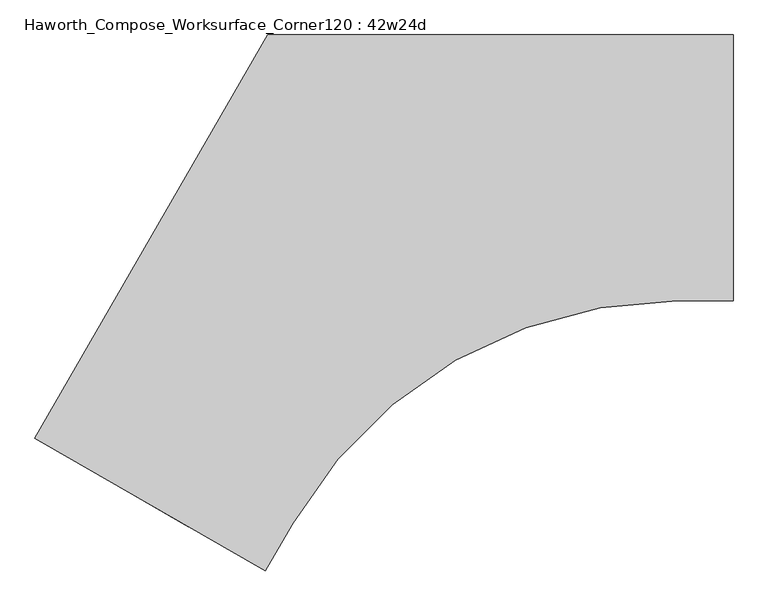
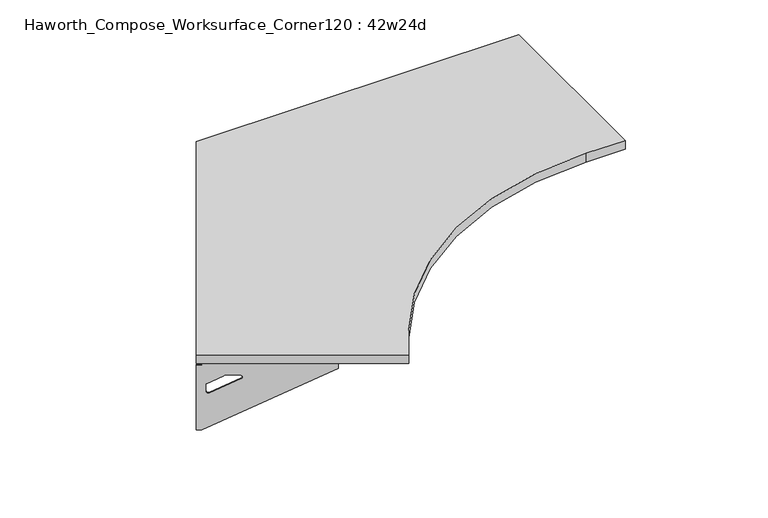
"""IFC4 building model written with IfcOpenShell, lengths in millimetres: furniture geometry, Haworth_Compose_Worksurface_Corner120 : 42w24d."""

from ifc_helpers import new_model, si_unit, point, frame, frame_2d, origin, place, context, project, spatial, polyline, circle_curve, trimmed, segment, composite_curve, outline, extrude, source, transform, mapped, element, save
from ifc_brep_helpers import plane_surface, revolved_surface, advanced_brep


def haworth_compose_worksurface_corner120_42w24d_8da39d8a(model_context):
    return source(origin(), model_context, "Body", "SolidModel", [
        advanced_brep(
        [(302.41875, 304.8, 473.86875), (302.41875, 288.925, 473.86875), (302.41875, -101.6, 690.1317568), (302.41875, -101.6, 702.46875), (302.41875, 288.925, 702.46875), (302.41875, 304.8, 702.46875), (302.41875, 221.490072, 664.36875), (302.41875, 177.8355284, 664.36875), (302.41875, 175.1564235, 654.7830539), (302.41875, 266.8776173, 603.9901439), (302.41875, 276.225, 609.5881969), (302.41875, 276.225, 633.0985246), (302.41875, 274.4730055, 635.9367776), (302.41875, 224.5663437, 663.5738425), (304.8, 304.8, 473.86875), (304.8, 304.8, 702.46875), (304.8, 288.925, 702.46875), (304.8, 288.925, 704.85), (304.8, -101.6, 704.85), (304.8, -101.6, 690.1317568), (304.8, 288.925, 473.86875), (304.8, 221.490072, 664.36875), (304.8, 224.5663437, 663.5738425), (304.8, 274.4730055, 635.9367776), (304.8, 276.225, 633.0985246), (304.8, 276.225, 609.5881969), (304.8, 266.8776173, 603.9901439), (304.8, 175.1564235, 654.7830539), (304.8, 177.8355284, 664.36875), (263.525, -101.6, 704.85), (263.525, -101.6, 702.46875), (263.525, 288.925, 702.46875), (263.525, 288.925, 704.85)],
        [
            (0, 1),
            (1, 2),
            (2, 3),
            (3, 4),
            (4, 5),
            (5, 0),
            (6, 7),
            (7, 8, circle_curve(frame((302.41875, 177.8355284, 659.2015106), z_axis=(1.0, 0.0, 0.0), x_axis=(0.0, -1.0, 0.0)), 5.1672394)),
            (8, 9),
            (9, 10, circle_curve(frame((302.41875, 269.875, 609.5881969), z_axis=(1.0, 0.0, 0.0), x_axis=(0.0, -1.0, 0.0)), 6.35)),
            (10, 11),
            (11, 12, circle_curve(frame((302.41875, 273.05, 633.0985246), z_axis=(1.0, 0.0, 0.0), x_axis=(0.0, -1.0, 0.0)), 3.175)),
            (12, 13),
            (13, 6, circle_curve(frame((302.41875, 221.490072, 658.01875), z_axis=(1.0, 0.0, 0.0), x_axis=(0.0, -1.0, 0.0)), 6.35)),
            (14, 15),
            (15, 16),
            (16, 17),
            (17, 18),
            (18, 19),
            (19, 20),
            (20, 14),
            (21, 22, circle_curve(frame((304.8, 221.490072, 658.01875), z_axis=(-1.0, 0.0, 0.0), x_axis=(0.0, -1.0, 0.0)), 6.35)),
            (22, 23),
            (23, 24, circle_curve(frame((304.8, 273.05, 633.0985246), z_axis=(-1.0, 0.0, 0.0), x_axis=(0.0, -1.0, 0.0)), 3.175)),
            (24, 25),
            (25, 26, circle_curve(frame((304.8, 269.875, 609.5881969), z_axis=(-1.0, 0.0, 0.0), x_axis=(0.0, -1.0, 0.0)), 6.35)),
            (26, 27),
            (27, 28, circle_curve(frame((304.8, 177.8355284, 659.2015106), z_axis=(-1.0, 0.0, 0.0), x_axis=(0.0, -1.0, 0.0)), 5.1672394)),
            (28, 21),
            (4, 16),
            (15, 5),
            (14, 0),
            (20, 1),
            (19, 2),
            (18, 29),
            (29, 30),
            (30, 3),
            (6, 21),
            (28, 7),
            (9, 26),
            (25, 10),
            (24, 11),
            (23, 12),
            (27, 8),
            (31, 4),
            (30, 31),
            (32, 29),
            (17, 32),
            (31, 32),
            (22, 13),
        ],
        [
            plane_surface(frame((302.41875, 304.8, 473.86875), z_axis=(-1.0, 0.0, 0.0), x_axis=(0.0, 1.0, 0.0))),
            plane_surface(frame((304.8, 304.8, 473.86875), z_axis=(1.0, 0.0, 0.0), x_axis=(0.0, -1.0, 0.0))),
            plane_surface(frame((304.8, -101.6, 702.46875), z_axis=(0.0, 0.0, 1.0), x_axis=(-1.0, 0.0, 0.0))),
            plane_surface(frame((304.8, 304.8, 702.46875), z_axis=(0.0, 1.0, 0.0), x_axis=(-1.0, 0.0, 0.0))),
            plane_surface(frame((304.8, 304.8, 473.86875), z_axis=(0.0, 0.0, -1.0), x_axis=(-1.0, 0.0, 0.0))),
            plane_surface(frame((304.8, 288.925, 473.86875), z_axis=(0.0, -0.4844522351345575, -0.8748177135112957), x_axis=(-1.0, 0.0, 0.0))),
            plane_surface(frame((304.8, -101.6, 690.1317568), z_axis=(0.0, -1.0, 0.0), x_axis=(-1.0, 0.0, 0.0))),
            plane_surface(frame((304.8, 221.490072, 664.36875), z_axis=(0.0, 0.0, -1.0), x_axis=(-1.0, 0.0, 0.0))),
            revolved_surface(polyline([(302.41875, 263.525, 609.5881969), (304.8, 263.525, 609.5881969)]), (304.8, 269.875, 609.5881969), (-1.0, 0.0, 0.0)),
            plane_surface(frame((304.8, 276.225, 609.5881969), z_axis=(0.0, -1.0, 0.0), x_axis=(-1.0, 0.0, 0.0))),
            revolved_surface(polyline([(302.41875, 269.875, 633.0985246), (304.8, 269.875, 633.0985246)]), (304.8, 273.05, 633.0985246), (-1.0, 0.0, 0.0)),
            revolved_surface(polyline([(302.41875, 172.668289, 659.2015106), (304.8, 172.668289, 659.2015106)]), (304.8, 177.8355284, 659.2015106), (-1.0, 0.0, 0.0)),
            plane_surface(frame((304.8, 288.925, 702.46875), z_axis=(0.0, 0.0, -1.0), x_axis=(-1.0, 0.0, 0.0))),
            plane_surface(frame((304.8, 288.925, 704.85), z_axis=(0.0, 0.0, 1.0), x_axis=(1.0, 0.0, 0.0))),
            plane_surface(frame((263.525, 288.925, 704.85), z_axis=(0.0, 1.0, 0.0), x_axis=(0.0, 0.0, -1.0))),
            plane_surface(frame((263.525, -101.6, 704.85), z_axis=(-1.0, 0.0, 0.0), x_axis=(0.0, 0.0, -1.0))),
            plane_surface(frame((304.8, 175.1564235, 654.7830539), z_axis=(0.0, 0.4844522351341526, 0.8748177135115199), x_axis=(-1.0, 0.0, 0.0))),
            plane_surface(frame((304.8, 274.4730055, 635.9367776), z_axis=(0.0, -0.48445223513456226, -0.874817713511293), x_axis=(-1.0, 0.0, 0.0))),
            revolved_surface(polyline([(302.41875, 215.140072, 658.01875), (304.8, 215.140072, 658.01875)]), (304.8, 221.490072, 658.01875), (-1.0, 0.0, 0.0)),
        ],
        [
            (0, [[1, 2, 3, 4, 5, 6], [7, 8, 9, 10, 11, 12, 13, 14]]),
            (1, [[15, 16, 17, 18, 19, 20, 21], [22, 23, 24, 25, 26, 27, 28, 29]]),
            (2, [[-5, 30, -16, 31]]),
            (3, [[-31, -15, 32, -6]]),
            (4, [[-32, -21, 33, -1]]),
            (5, [[-33, -20, 34, -2]]),
            (6, [[-34, -19, 35, 36, 37, -3]]),
            (7, [[38, -29, 39, -7]]),
            (8, [[40, -26, 41, -10]]),
            (9, [[-41, -25, 42, -11]]),
            (10, [[-42, -24, 43, -12]]),
            (11, [[-39, -28, 44, -8]]),
            (12, [[45, -4, -37, 46]]),
            (13, [[47, -35, -18, 48]]),
            (14, [[-17, -30, -45, 49, -48]]),
            (15, [[-36, -47, -49, -46]]),
            (16, [[-44, -27, -40, -9]]),
            (17, [[-43, -23, 50, -13]]),
            (18, [[-50, -22, -38, -14]]),
        ],
    ),
        advanced_brep(
        [(-1294.209375, -617.0136778, 473.86875), (-1294.209375, -617.0136778, 702.46875), (-1280.4612217, -624.9511778, 702.46875), (-942.2566509, -820.2136778, 702.46875), (-942.2566509, -820.2136778, 690.1317568), (-1280.4612217, -624.9511778, 473.86875), (-1222.060861, -658.6686418, 664.36875), (-1224.7249904, -657.1305059, 663.5738425), (-1267.9454274, -632.177175, 635.9367776), (-1269.4626991, -631.3011778, 633.0985246), (-1269.4626991, -631.3011778, 609.5881969), (-1261.3676282, -635.9748691, 603.9901439), (-1181.9347443, -681.835466, 654.7830539), (-1184.2549172, -680.4959136, 664.36875), (-1295.4, -619.0759008, 473.86875), (-1281.6518467, -627.0134008, 473.86875), (-943.4472759, -822.2759008, 690.1317568), (-943.4472759, -822.2759008, 704.85), (-1281.6518467, -627.0134008, 704.85), (-1281.6518467, -627.0134008, 702.46875), (-1295.4, -619.0759008, 702.46875), (-1223.251486, -660.7308648, 664.36875), (-1185.4455422, -682.5581365, 664.36875), (-1183.1253693, -683.897689, 654.7830539), (-1262.5582532, -638.0370921, 603.9901439), (-1270.6533241, -633.3634008, 609.5881969), (-1270.6533241, -633.3634008, 633.0985246), (-1269.1360524, -634.239398, 635.9367776), (-1225.9156154, -659.1927289, 663.5738425), (-922.8097759, -786.5307022, 702.46875), (-922.8097759, -786.5307022, 704.85), (-1261.0143467, -591.2682022, 702.46875), (-1261.0143467, -591.2682022, 704.85)],
        [
            (0, 1),
            (1, 2),
            (2, 3),
            (3, 4),
            (4, 5),
            (5, 0),
            (6, 7, circle_curve(frame((-1222.060861, -658.6686418, 658.01875), z_axis=(-0.5000000000000026, -0.8660254037844374, 0.0), x_axis=(0.8660254037844372, -0.5000000000000024, 0.0)), 6.35)),
            (7, 8),
            (8, 9, circle_curve(frame((-1266.7130684, -632.8886778, 633.0985246), z_axis=(-0.5000000000000026, -0.8660254037844374, 0.0), x_axis=(0.8660254037844372, -0.5000000000000024, 0.0)), 3.175)),
            (9, 10),
            (10, 11, circle_curve(frame((-1263.9634378, -634.4761778, 609.5881969), z_axis=(-0.5000000000000026, -0.8660254037844374, 0.0), x_axis=(0.8660254037844372, -0.5000000000000024, 0.0)), 6.35)),
            (11, 12),
            (12, 13, circle_curve(frame((-1184.2549172, -680.4959136, 659.2015106), z_axis=(-0.5000000000000026, -0.8660254037844374, 0.0), x_axis=(0.8660254037844372, -0.5000000000000024, 0.0)), 5.1672394)),
            (13, 6),
            (14, 15),
            (15, 16),
            (16, 17),
            (17, 18),
            (18, 19),
            (19, 20),
            (20, 14),
            (21, 22),
            (22, 23, circle_curve(frame((-1185.4455422, -682.5581365, 659.2015106), z_axis=(0.5000000000000026, 0.8660254037844374, 0.0), x_axis=(0.8660254037844372, -0.5000000000000024, 0.0)), 5.1672394)),
            (23, 24),
            (24, 25, circle_curve(frame((-1265.1540628, -636.5384008, 609.5881969), z_axis=(0.5000000000000026, 0.8660254037844374, 0.0), x_axis=(0.8660254037844372, -0.5000000000000024, 0.0)), 6.35)),
            (25, 26),
            (26, 27, circle_curve(frame((-1267.9036934, -634.9509008, 633.0985246), z_axis=(0.5000000000000026, 0.8660254037844374, 0.0), x_axis=(0.8660254037844372, -0.5000000000000024, 0.0)), 3.175)),
            (27, 28),
            (28, 21, circle_curve(frame((-1223.251486, -660.7308648, 658.01875), z_axis=(0.5000000000000026, 0.8660254037844374, 0.0), x_axis=(0.8660254037844372, -0.5000000000000024, 0.0)), 6.35)),
            (1, 20),
            (19, 2),
            (0, 14),
            (5, 15),
            (4, 16),
            (3, 29),
            (29, 30),
            (30, 17),
            (13, 22),
            (21, 6),
            (10, 25),
            (24, 11),
            (9, 26),
            (8, 27),
            (12, 23),
            (31, 29),
            (2, 31),
            (32, 18),
            (30, 32),
            (32, 31),
            (7, 28),
        ],
        [
            plane_surface(frame((-1294.209375, -617.0136778, 473.86875), z_axis=(0.5000000000000026, 0.8660254037844373, 0.0), x_axis=(-0.8660254037844373, 0.5000000000000026, 0.0))),
            plane_surface(frame((-1295.4, -619.0759008, 473.86875), z_axis=(-0.5000000000000026, -0.8660254037844373, 0.0), x_axis=(0.8660254037844373, -0.5000000000000026, 0.0))),
            plane_surface(frame((-943.4472759, -822.2759008, 702.46875), z_axis=(0.0, 0.0, 1.0), x_axis=(0.5000000000000011, 0.866025403784438, 0.0))),
            plane_surface(frame((-1295.4, -619.0759008, 702.46875), z_axis=(-0.866025403784438, 0.5000000000000011, 0.0), x_axis=(0.5000000000000011, 0.866025403784438, 0.0))),
            plane_surface(frame((-1295.4, -619.0759008, 473.86875), z_axis=(0.0, 0.0, -1.0), x_axis=(0.5000000000000011, 0.866025403784438, 0.0))),
            plane_surface(frame((-1281.6518467, -627.0134008, 473.86875), z_axis=(0.41954794254667943, -0.24222611756727808, -0.8748177135112957), x_axis=(0.5000000000000011, 0.866025403784438, 0.0))),
            plane_surface(frame((-943.4472759, -822.2759008, 690.1317568), z_axis=(0.866025403784438, -0.5000000000000011, 0.0), x_axis=(0.5000000000000011, 0.866025403784438, 0.0))),
            plane_surface(frame((-1223.251486, -660.7308648, 664.36875), z_axis=(0.0, 0.0, -1.0), x_axis=(0.5000000000000011, 0.866025403784438, 0.0))),
            revolved_surface(polyline([(-1258.46417645195, -637.6511777483158, 609.5881969), (-1259.6548014859688, -639.7134008, 609.5881969)]), (-1265.1540628, -636.5384008, 609.5881969), (0.5000000000000024, 0.8660254037844372, 0.0)),
            plane_surface(frame((-1270.6533241, -633.3634008, 609.5881969), z_axis=(0.866025403784438, -0.5000000000000011, 0.0), x_axis=(0.5000000000000011, 0.866025403784438, 0.0))),
            revolved_surface(polyline([(-1263.9634377398502, -634.4761778018095, 633.0985246), (-1265.1540627537306, -636.5384008186128, 633.0985246)]), (-1267.9036934, -634.9509008, 633.0985246), (0.5000000000000024, 0.8660254037844372, 0.0)),
            revolved_surface(polyline([(-1179.7799566313815, -683.0795332405233, 659.2015106), (-1180.9705816345158, -685.1417562387139, 659.2015106)]), (-1185.4455422, -682.5581365, 659.2015106), (0.5000000000000024, 0.8660254037844372, 0.0)),
            plane_surface(frame((-1281.6518467, -627.0134008, 702.46875), z_axis=(0.0, 0.0, -1.0), x_axis=(0.5000000000000011, 0.866025403784438, 0.0))),
            plane_surface(frame((-1281.6518467, -627.0134008, 704.85), z_axis=(0.0, 0.0, 1.0), x_axis=(-0.5000000000000011, -0.866025403784438, 0.0))),
            plane_surface(frame((-1261.0143467, -591.2682022, 704.85), z_axis=(-0.866025403784438, 0.5000000000000011, 0.0), x_axis=(0.0, 0.0, -1.0))),
            plane_surface(frame((-922.8097759, -786.5307022, 704.85), z_axis=(0.5000000000000011, 0.866025403784438, 0.0), x_axis=(0.0, 0.0, -1.0))),
            plane_surface(frame((-1183.1253693, -683.897689, 654.7830539), z_axis=(-0.41954794254632877, 0.24222611756707563, 0.87481771351152), x_axis=(0.5000000000000011, 0.866025403784438, 0.0))),
            plane_surface(frame((-1269.1360524, -634.239398, 635.9367776), z_axis=(0.4195479425466836, -0.24222611756728046, -0.874817713511293), x_axis=(0.5000000000000011, 0.866025403784438, 0.0))),
            revolved_surface(polyline([(-1216.5615996508982, -661.8436417464941, 658.01875), (-1217.752224685969, -663.9058648, 658.01875)]), (-1223.251486, -660.7308648, 658.01875), (0.5000000000000024, 0.8660254037844372, 0.0)),
        ],
        [
            (0, [[1, 2, 3, 4, 5, 6], [7, 8, 9, 10, 11, 12, 13, 14]]),
            (1, [[15, 16, 17, 18, 19, 20, 21], [22, 23, 24, 25, 26, 27, 28, 29]]),
            (2, [[30, -20, 31, -2]]),
            (3, [[-1, 32, -21, -30]]),
            (4, [[-6, 33, -15, -32]]),
            (5, [[-5, 34, -16, -33]]),
            (6, [[-4, 35, 36, 37, -17, -34]]),
            (7, [[-14, 38, -22, 39]]),
            (8, [[-11, 40, -25, 41]]),
            (9, [[-10, 42, -26, -40]]),
            (10, [[-9, 43, -27, -42]]),
            (11, [[-13, 44, -23, -38]]),
            (12, [[45, -35, -3, 46]]),
            (13, [[47, -18, -37, 48]]),
            (14, [[-47, 49, -46, -31, -19]]),
            (15, [[-45, -49, -48, -36]]),
            (16, [[-12, -41, -24, -44]]),
            (17, [[-8, 50, -28, -43]]),
            (18, [[-7, -39, -29, -50]]),
        ],
    ),
        extrude(outline(composite_curve([segment(polyline([(-1295.4, -619.0759008), (-762.0, 304.8), (304.8, 304.8), (304.8, -304.8), (176.5405976, -304.8)]), True, "CONTINUOUS"), segment(trimmed(circle_curve(frame_2d((176.5405976, -1320.8)), 1016.0), [point((176.5405976, -304.8))], [point((-703.3412127, -812.8))], True, "CARTESIAN"), True, "CONTINUOUS"), segment(polyline([(-703.3412127, -812.8), (-767.4709139, -923.8759008), (-1295.4, -619.0759008)]), True, "CONTINUOUS")], self_intersect=False)), frame((0.0, 0.0, 706.4375), z_axis=(0.0, 0.0, 1.0), x_axis=(1.0, 0.0, 0.0)), (0.0, 0.0, 1.0), 30.1625),
    ])


if __name__ == "__main__":
    model = new_model("IFC4")
    model_context = context("Model", 3, world=origin())
    ifc_project = project(units=[si_unit("LENGTHUNIT", "METRE", prefix="MILLI")], contexts=[model_context])
    site = spatial("IfcSite", under=ifc_project)
    building = spatial("IfcBuilding", under=site)
    placement = place(None, origin())
    haworth_compose_worksurface_corner120_42w24d_shape = haworth_compose_worksurface_corner120_42w24d_8da39d8a(model_context)
    element("IfcFurniture", 1, ObjectType="Haworth_Compose_Worksurface_Corner120 : 42w24d", at=placement, inside=building, context=model_context, shape_type="MappedRepresentation", body=[
        mapped(haworth_compose_worksurface_corner120_42w24d_shape, transform((0.0, 0.0, 0.0), x_axis=(1.0, 0.0, 0.0), y_axis=(0.0, 1.0, 0.0), z_axis=(0.0, 0.0, 1.0))),
    ])
    save(model, "model.ifc")
